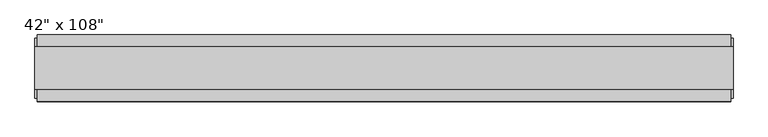
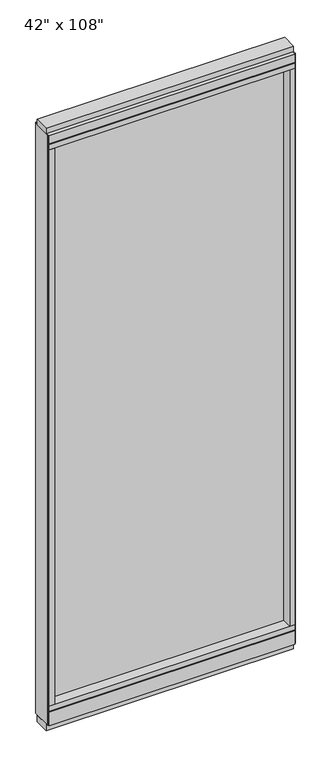
"""IFC4 building model written with IfcOpenShell, lengths in millimetres: furniture geometry."""

from ifc_helpers import new_model, si_unit, frame, origin, origin_with_axes, place, context, project, spatial, polyline, outline, extrude, source, transform, mapped, element, save


def furniture_6c22b0bc(model_context):
    return source(origin(), model_context, "Body", "SweptSolid", [
        extrude(outline(polyline([(447.2014771, 9.5977216), (447.2014771, -0.5622784), (-567.2745229, -0.5622784), (-567.2745229, 9.5977216), (447.2014771, 9.5977216)])), frame((0.0, 0.0, 120.523), z_axis=(0.0, 0.0, 1.0), x_axis=(1.0, 0.0, 0.0)), (0.0, 0.0, 1.0), 2533.777),
        extrude(outline(polyline([(55.3177216, 93.345), (55.3177216, 31.75), (-46.2822784, 31.75), (-46.2822784, 93.345), (-41.3292784, 93.345), (-41.3292784, 98.298), (50.3647216, 98.298), (50.3647216, 93.345), (55.3177216, 93.345)])), frame((-589.4995229, 0.0, 0.0), z_axis=(1.0, 0.0, 0.0), x_axis=(0.0, 1.0, 0.0)), (0.0, 0.0, 1.0), 1058.926),
        extrude(outline(polyline([(-589.4995229, 55.3177216), (469.4264771, 55.3177216), (469.4264771, -46.2822784), (-589.4995229, -46.2822784), (-589.4995229, 55.3177216)])), frame((0.0, 0.0, 98.298), z_axis=(0.0, 0.0, 1.0), x_axis=(1.0, 0.0, 0.0)), (0.0, 0.0, 1.0), 22.225),
        extrude(outline(polyline([(473.3634771, -27.9942784), (-593.4365229, -27.9942784), (-593.4365229, 37.0297216), (473.3634771, 37.0297216), (473.3634771, -27.9942784)])), origin_with_axes(), (0.0, 0.0, 1.0), 31.75),
        extrude(outline(polyline([(-593.4365229, 37.0297216), (473.3634771, 37.0297216), (473.3634771, -27.9942784), (-593.4365229, -27.9942784), (-593.4365229, 37.0297216)])), frame((0.0, 0.0, 2717.8), z_axis=(0.0, 0.0, 1.0), x_axis=(1.0, 0.0, 0.0)), (0.0, 0.0, 1.0), 25.4),
        extrude(outline(polyline([(55.3177216, 2681.478), (50.3647216, 2681.478), (50.3647216, 2676.525), (-41.3292784, 2676.525), (-41.3292784, 2681.478), (-46.2822784, 2681.478), (-46.2822784, 2717.8), (55.3177216, 2717.8), (55.3177216, 2681.478)])), frame((-589.4995229, 0.0, 0.0), z_axis=(1.0, 0.0, 0.0), x_axis=(0.0, 1.0, 0.0)), (0.0, 0.0, 1.0), 1058.926),
        extrude(outline(polyline([(469.4264771, -46.2822784), (-589.4995229, -46.2822784), (-589.4995229, 55.3177216), (469.4264771, 55.3177216), (469.4264771, -46.2822784)])), frame((0.0, 0.0, 2654.3), z_axis=(0.0, 0.0, 1.0), x_axis=(1.0, 0.0, 0.0)), (0.0, 0.0, 1.0), 22.225),
        extrude(outline(polyline([(447.2014771, 55.3177216), (469.4264771, 55.3177216), (469.4264771, -46.2822784), (447.2014771, -46.2822784), (447.2014771, 55.3177216)])), frame((0.0, 0.0, 120.523), z_axis=(0.0, 0.0, 1.0), x_axis=(1.0, 0.0, 0.0)), (0.0, 0.0, 1.0), 2533.777),
        extrude(outline(polyline([(-567.2745229, 55.3177216), (-567.2745229, -46.2822784), (-589.4995229, -46.2822784), (-589.4995229, 55.3177216), (-567.2745229, 55.3177216)])), frame((0.0, 0.0, 120.523), z_axis=(0.0, 0.0, 1.0), x_axis=(1.0, 0.0, 0.0)), (0.0, 0.0, 1.0), 2533.777),
        extrude(outline(polyline([(473.3634771, 50.3647216), (473.3634771, -41.3292784), (469.4264771, -41.3292784), (469.4264771, 50.3647216), (473.3634771, 50.3647216)])), frame((0.0, 0.0, 31.75), z_axis=(0.0, 0.0, 1.0), x_axis=(1.0, 0.0, 0.0)), (0.0, 0.0, 1.0), 2686.05),
        extrude(outline(polyline([(-593.4365229, 50.3647216), (-589.4995229, 50.3647216), (-589.4995229, -41.3292784), (-593.4365229, -41.3292784), (-593.4365229, 50.3647216)])), frame((0.0, 0.0, 31.75), z_axis=(0.0, 0.0, 1.0), x_axis=(1.0, 0.0, 0.0)), (0.0, 0.0, 1.0), 2686.05),
    ])


if __name__ == "__main__":
    model = new_model("IFC4")
    model_context = context("Model", 3, world=origin())
    ifc_project = project(units=[si_unit("LENGTHUNIT", "METRE", prefix="MILLI")], contexts=[model_context])
    site = spatial("IfcSite", under=ifc_project)
    building = spatial("IfcBuilding", under=site)
    placement = place(None, origin())
    furniture_shape = furniture_6c22b0bc(model_context)
    element("IfcFurniture", 1, ObjectType="42\" x 108\"", at=placement, inside=building, context=model_context, shape_type="MappedRepresentation", body=[
        mapped(furniture_shape, transform((0.0, 0.0, 0.0), x_axis=(1.0, 0.0, 0.0), y_axis=(0.0, 1.0, 0.0), z_axis=(0.0, 0.0, 1.0))),
    ])
    save(model, "model.ifc")
